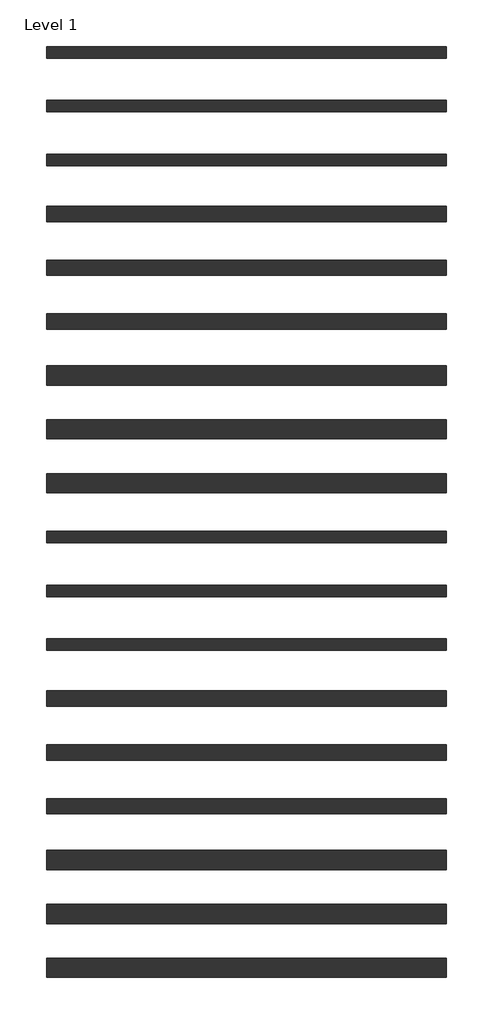
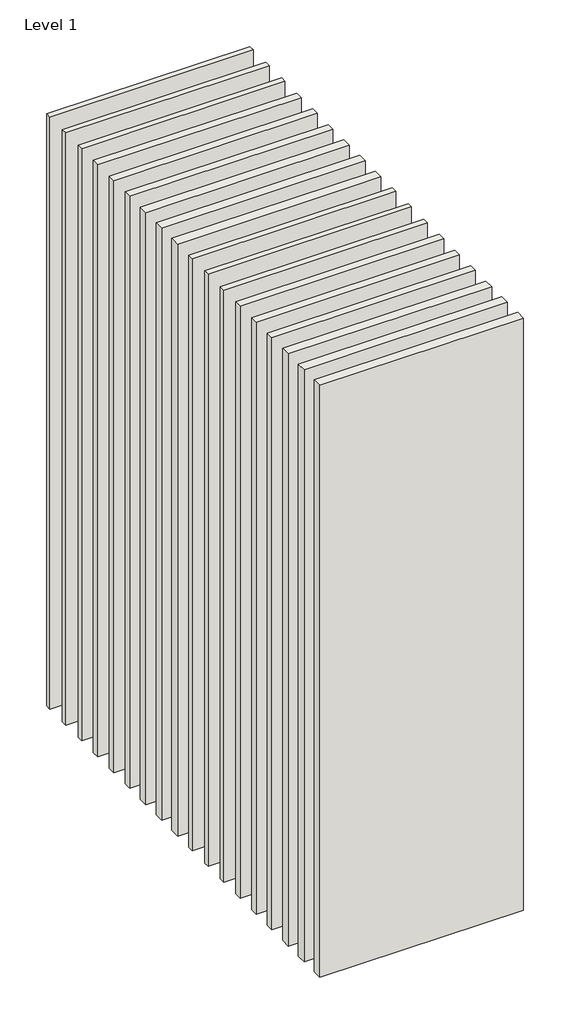
# One storey: 18 walls.
"""IFC4 building model written with IfcOpenShell, lengths in millimetres."""

import ifcopenshell
import ifcopenshell.guid

model = None  # the IFC model being written
_history = None  # IfcOwnerHistory: only IFC2X3 demands one
_inside = {}  # id of a spatial element -> (the spatial element, [elements in it])
_under = {}  # id of a project, library or spatial element -> (it, [spatial elements below it])
_declared = {}  # id of a project -> (the project, [libraries it declares])
_typed = {}  # id of a type object -> (the type object, [elements of that type])
_made_of = {}  # id of a material, layer set ... -> (it, [elements and type objects made of it])


def new_model(schema):
    """Start an empty IFC model of exactly this schema.

    Asked for "IFC4X3", IfcOpenShell would pick the latest addendum, in which some entities
    have other attributes; the version numbers below select the first issue.
    IFC2X3 requires an IfcOwnerHistory on every rooted entity: one is made here for all.
    """
    global model, _history
    if schema == "IFC4X3":
        model = ifcopenshell.file(schema_version=(4, 3, 0, 0))
    else:
        model = ifcopenshell.file(schema=schema)
    _inside.clear()
    _under.clear()
    _declared.clear()
    _typed.clear()
    _made_of.clear()
    _history = None
    if model.schema == "IFC2X3":
        org = make("IfcOrganization", Name="unknown")
        user = make(
            "IfcPersonAndOrganization",
            ThePerson=make("IfcPerson", FamilyName="unknown"),
            TheOrganization=org,
        )
        app = make(
            "IfcApplication",
            ApplicationDeveloper=org,
            Version="unknown",
            ApplicationFullName="unknown",
            ApplicationIdentifier="unknown",
        )
        _history = make(
            "IfcOwnerHistory",
            OwningUser=user,
            OwningApplication=app,
            ChangeAction="ADDED",
            CreationDate=0,
        )
    return model


def make(cls, **values):
    """One entity of the class cls with the attributes given. An attribute that is None is left unset."""
    return model.create_entity(
        cls, **{name: value for name, value in values.items() if value is not None}
    )


def rooted(cls, **values):
    """An entity with a GlobalId (a new one), such as an element, a storey or a relation."""
    return make(cls, GlobalId=ifcopenshell.guid.new(), OwnerHistory=_history, **values)


def si_unit(unit_type, name, prefix=None):
    """IfcSIUnit, for example si_unit("LENGTHUNIT", "METRE", prefix="MILLI")."""
    return make("IfcSIUnit", UnitType=unit_type, Prefix=prefix, Name=name)


def assignment(units):
    """IfcUnitAssignment: the units of a project."""
    return None if units is None else make("IfcUnitAssignment", Units=units)


def point(xyz):
    """IfcCartesianPoint."""
    return None if xyz is None else make("IfcCartesianPoint", Coordinates=xyz)


def direction(xyz):
    """IfcDirection."""
    return None if xyz is None else make("IfcDirection", DirectionRatios=xyz)


def frame(location, z_axis=None, x_axis=None):
    """IfcAxis2Placement3D, a coordinate frame: its origin and axes. An axis left out is left unset."""
    return make(
        "IfcAxis2Placement3D",
        Location=point(location),
        Axis=direction(z_axis),
        RefDirection=direction(x_axis),
    )


def origin():
    """The frame at (0, 0, 0) with its axes left unset."""
    return frame((0.0, 0.0, 0.0))


def origin_with_axes():
    """The frame at (0, 0, 0) with the z axis (0, 0, 1) and the x axis (1, 0, 0) written out."""
    return frame((0.0, 0.0, 0.0), z_axis=(0.0, 0.0, 1.0), x_axis=(1.0, 0.0, 0.0))


def place(relative_to, where):
    """IfcLocalPlacement: puts the frame where relative to a parent placement (None: the world)."""
    return make(
        "IfcLocalPlacement", PlacementRelTo=relative_to, RelativePlacement=where
    )


def context(
    kind, dimensions, precision=None, world=None, true_north=None, identifier=None
):
    """IfcGeometricRepresentationContext, for example the 3D "Model" context."""
    return make(
        "IfcGeometricRepresentationContext",
        ContextIdentifier=identifier,
        ContextType=kind,
        CoordinateSpaceDimension=dimensions,
        Precision=precision,
        WorldCoordinateSystem=world,
        TrueNorth=true_north,
    )


def project(units=None, contexts=None):
    """IfcProject with its units and contexts."""
    return rooted(
        "IfcProject",
        Name="project",
        RepresentationContexts=contexts,
        UnitsInContext=assignment(units),
    )


def spatial(cls, under=None, at=None, **own):
    """A site, building, storey or space (cls), placed at a placement, below another one or the project."""
    s = rooted(cls, ObjectPlacement=at, **own)
    if under is not None:
        _under.setdefault(under.id(), (under, []))[1].append(s)
    return s


def polyline(points):
    """IfcPolyline through the points."""
    return make("IfcPolyline", Points=[point(p) for p in points])


def outline(outer, holes=None, kind="AREA"):
    """IfcArbitraryClosedProfileDef: a profile drawn as a closed curve; with holes, ...WithVoids."""
    if holes is None:
        return make("IfcArbitraryClosedProfileDef", ProfileType=kind, OuterCurve=outer)
    return make(
        "IfcArbitraryProfileDefWithVoids",
        ProfileType=kind,
        OuterCurve=outer,
        InnerCurves=holes,
    )


def extrude(swept, where, along, depth):
    """IfcExtrudedAreaSolid: the profile swept, set in the frame where, extruded along a direction by depth."""
    return make(
        "IfcExtrudedAreaSolid",
        SweptArea=swept,
        Position=where,
        ExtrudedDirection=direction(along),
        Depth=depth,
    )


def shape(context_of_items, identifier, shape_type, items):
    """IfcShapeRepresentation: the items that make up one representation, for example the "Body"."""
    return make(
        "IfcShapeRepresentation",
        ContextOfItems=context_of_items,
        RepresentationIdentifier=identifier,
        RepresentationType=shape_type,
        Items=items,
    )


def made_of(thing, what):
    """Note that an element or type object is made of a material, layer set ...; save() writes the relation."""
    if what is not None:
        _made_of.setdefault(what.id(), (what, []))[1].append(thing)
    return thing


def element(
    cls,
    number,
    at=None,
    inside=None,
    cuts=None,
    type_object=None,
    material=None,
    context=None,
    identifier="Body",
    shape_type=None,
    held_by="IfcProductDefinitionShape",
    body=None,
    shapes=None,
    **own,
):
    """One element of the class cls, such as IfcWall. Its Tag is "e" and its number.

    at: its placement. inside: the storey or other place that contains it. cuts: it is an
    opening in that element (IfcRelVoidsElement). A single representation is given by context,
    identifier, shape_type and body (its items); several are given by shapes. held_by: the class
    of the entity that holds the representations. save() writes the other relations.
    """
    e = rooted(cls, Tag="e%d" % number, ObjectPlacement=at, **own)
    if body is not None:
        shapes = [shape(context, identifier, shape_type, body)]
    if shapes is not None:
        e.Representation = make(held_by, Representations=shapes)
    if inside is not None:
        _inside.setdefault(inside.id(), (inside, []))[1].append(e)
    if cuts is not None:
        rooted(
            "IfcRelVoidsElement", RelatingBuildingElement=cuts, RelatedOpeningElement=e
        )
    if type_object is not None:
        _typed.setdefault(type_object.id(), (type_object, []))[1].append(e)
    return made_of(e, material)


def aggregate(whole, parts):
    """IfcRelAggregates: a whole, such as a stair, and the parts it consists of."""
    return rooted("IfcRelAggregates", RelatingObject=whole, RelatedObjects=parts)


def save(model, path):
    """Write the relations noted so far, then the file.

    IfcRelAggregates (storeys below a building ...), IfcRelContainedInSpatialStructure (elements
    in a storey), IfcRelDefinesByType, IfcRelAssociatesMaterial and IfcRelDeclares: one each for
    every whole, place, type object, material and project.
    """
    for whole, parts in _under.values():
        aggregate(whole, parts)
    for where, things in _inside.values():
        rooted(
            "IfcRelContainedInSpatialStructure",
            RelatedElements=things,
            RelatingStructure=where,
        )
    for kind, things in _typed.values():
        rooted("IfcRelDefinesByType", RelatedObjects=things, RelatingType=kind)
    for what, things in _made_of.values():
        rooted("IfcRelAssociatesMaterial", RelatedObjects=things, RelatingMaterial=what)
    for by, libraries in _declared.values():
        rooted("IfcRelDeclares", RelatingContext=by, RelatedDefinitions=libraries)
    model.write(path)


model = new_model("IFC4")

# Units and contexts
model_context = context("Model", 3, world=origin())
ifc_project = project(units=[si_unit("LENGTHUNIT", "METRE", prefix="MILLI")], contexts=[model_context])

# Site, building, storey
site = spatial("IfcSite", under=ifc_project)
building = spatial("IfcBuilding", under=site)
storey = spatial("IfcBuildingStorey", under=building, Name="Level 1", Elevation=0.0)

# Walls
placement = place(None, origin())
element("IfcWall", 1, at=placement, inside=storey, context=model_context, shape_type="SweptSolid", body=[
    extrude(outline(polyline([(-16904.1464237, 2636.4042935), (-19504.1464237, 2636.4042935), (-19504.1464237, 2736.4042935), (-16904.1464237, 2736.4042935), (-16904.1464237, 2636.4042935)])), origin_with_axes(), (0.0, 0.0, 1.0), 8000.0),
])
element("IfcWall", 2, at=placement, inside=storey, context=model_context, shape_type="SweptSolid", body=[
    extrude(outline(polyline([(-16904.1464237, 2286.4042935), (-19504.1464237, 2286.4042935), (-19504.1464237, 2386.4042935), (-16904.1464237, 2386.4042935), (-16904.1464237, 2286.4042935)])), origin_with_axes(), (0.0, 0.0, 1.0), 8000.0),
])
element("IfcWall", 3, at=placement, inside=storey, context=model_context, shape_type="SweptSolid", body=[
    extrude(outline(polyline([(-16904.1464237, 1936.4042935), (-19504.1464237, 1936.4042935), (-19504.1464237, 2036.4042935), (-16904.1464237, 2036.4042935), (-16904.1464237, 1936.4042935)])), origin_with_axes(), (0.0, 0.0, 1.0), 8000.0),
])
element("IfcWall", 4, at=placement, inside=storey, context=model_context, shape_type="SweptSolid", body=[
    extrude(outline(polyline([(-16904.1464237, 3698.9042935), (-19504.1464237, 3698.9042935), (-19504.1464237, 3773.9042935), (-16904.1464237, 3773.9042935), (-16904.1464237, 3698.9042935)])), origin_with_axes(), (0.0, 0.0, 1.0), 8000.0),
])
element("IfcWall", 5, at=placement, inside=storey, context=model_context, shape_type="SweptSolid", body=[
    extrude(outline(polyline([(-16904.1464237, 3348.9042935), (-19504.1464237, 3348.9042935), (-19504.1464237, 3423.9042935), (-16904.1464237, 3423.9042935), (-16904.1464237, 3348.9042935)])), origin_with_axes(), (0.0, 0.0, 1.0), 8000.0),
])
element("IfcWall", 6, at=placement, inside=storey, context=model_context, shape_type="SweptSolid", body=[
    extrude(outline(polyline([(-16904.1464237, 2998.9042935), (-19504.1464237, 2998.9042935), (-19504.1464237, 3073.9042935), (-16904.1464237, 3073.9042935), (-16904.1464237, 2998.9042935)])), origin_with_axes(), (0.0, 0.0, 1.0), 8000.0),
])
element("IfcWall", 7, at=placement, inside=storey, context=model_context, shape_type="SweptSolid", body=[
    extrude(outline(polyline([(-16904.1464237, 1573.9042935), (-19504.1464237, 1573.9042935), (-19504.1464237, 1698.9042935), (-16904.1464237, 1698.9042935), (-16904.1464237, 1573.9042935)])), origin_with_axes(), (0.0, 0.0, 1.0), 8000.0),
])
element("IfcWall", 8, at=placement, inside=storey, context=model_context, shape_type="SweptSolid", body=[
    extrude(outline(polyline([(-16904.1464237, 1223.9042935), (-19504.1464237, 1223.9042935), (-19504.1464237, 1348.9042935), (-16904.1464237, 1348.9042935), (-16904.1464237, 1223.9042935)])), origin_with_axes(), (0.0, 0.0, 1.0), 8000.0),
])
element("IfcWall", 9, at=placement, inside=storey, context=model_context, shape_type="SweptSolid", body=[
    extrude(outline(polyline([(-16904.1464237, 873.9042935), (-19504.1464237, 873.9042935), (-19504.1464237, 998.9042935), (-16904.1464237, 998.9042935), (-16904.1464237, 873.9042935)])), origin_with_axes(), (0.0, 0.0, 1.0), 8000.0),
])
element("IfcWall", 10, at=placement, inside=storey, context=model_context, shape_type="SweptSolid", body=[
    extrude(outline(polyline([(-16904.1464237, 548.9042935), (-19504.1464237, 548.9042935), (-19504.1464237, 623.9042935), (-16904.1464237, 623.9042935), (-16904.1464237, 548.9042935)])), origin_with_axes(), (0.0, 0.0, 1.0), 8000.0),
])
element("IfcWall", 11, at=placement, inside=storey, context=model_context, shape_type="SweptSolid", body=[
    extrude(outline(polyline([(-16904.1464237, 198.9042935), (-19504.1464237, 198.9042935), (-19504.1464237, 273.9042935), (-16904.1464237, 273.9042935), (-16904.1464237, 198.9042935)])), origin_with_axes(), (0.0, 0.0, 1.0), 8000.0),
])
element("IfcWall", 12, at=placement, inside=storey, context=model_context, shape_type="SweptSolid", body=[
    extrude(outline(polyline([(-16904.1464237, -151.0957065), (-19504.1464237, -151.0957065), (-19504.1464237, -76.0957065), (-16904.1464237, -76.0957065), (-16904.1464237, -151.0957065)])), origin_with_axes(), (0.0, 0.0, 1.0), 8000.0),
])
element("IfcWall", 13, at=placement, inside=storey, context=model_context, shape_type="SweptSolid", body=[
    extrude(outline(polyline([(-16904.1464237, -513.5957065), (-19504.1464237, -513.5957065), (-19504.1464237, -413.5957065), (-16904.1464237, -413.5957065), (-16904.1464237, -513.5957065)])), origin_with_axes(), (0.0, 0.0, 1.0), 8000.0),
])
element("IfcWall", 14, at=placement, inside=storey, context=model_context, shape_type="SweptSolid", body=[
    extrude(outline(polyline([(-16904.1464237, -863.5957065), (-19504.1464237, -863.5957065), (-19504.1464237, -763.5957065), (-16904.1464237, -763.5957065), (-16904.1464237, -863.5957065)])), origin_with_axes(), (0.0, 0.0, 1.0), 8000.0),
])
element("IfcWall", 15, at=placement, inside=storey, context=model_context, shape_type="SweptSolid", body=[
    extrude(outline(polyline([(-16904.1464237, -1213.5957065), (-19504.1464237, -1213.5957065), (-19504.1464237, -1113.5957065), (-16904.1464237, -1113.5957065), (-16904.1464237, -1213.5957065)])), origin_with_axes(), (0.0, 0.0, 1.0), 8000.0),
])
element("IfcWall", 16, at=placement, inside=storey, context=model_context, shape_type="SweptSolid", body=[
    extrude(outline(polyline([(-16904.1464237, -1576.0957065), (-19504.1464237, -1576.0957065), (-19504.1464237, -1451.0957065), (-16904.1464237, -1451.0957065), (-16904.1464237, -1576.0957065)])), origin_with_axes(), (0.0, 0.0, 1.0), 8000.0),
])
element("IfcWall", 17, at=placement, inside=storey, context=model_context, shape_type="SweptSolid", body=[
    extrude(outline(polyline([(-16904.1464237, -1926.0957065), (-19504.1464237, -1926.0957065), (-19504.1464237, -1801.0957065), (-16904.1464237, -1801.0957065), (-16904.1464237, -1926.0957065)])), origin_with_axes(), (0.0, 0.0, 1.0), 8000.0),
])
element("IfcWall", 18, at=placement, inside=storey, context=model_context, shape_type="SweptSolid", body=[
    extrude(outline(polyline([(-16904.1464237, -2276.0957065), (-19504.1464237, -2276.0957065), (-19504.1464237, -2151.0957065), (-16904.1464237, -2151.0957065), (-16904.1464237, -2276.0957065)])), origin_with_axes(), (0.0, 0.0, 1.0), 8000.0),
])

save(model, "model.ifc")
